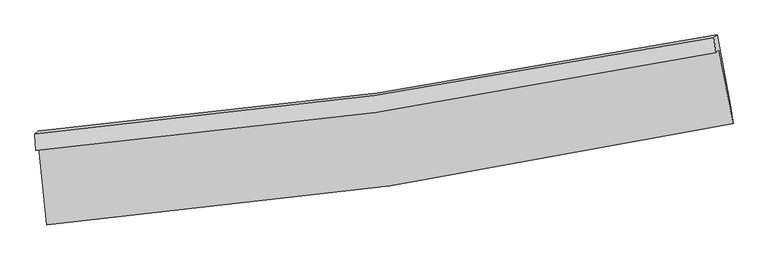
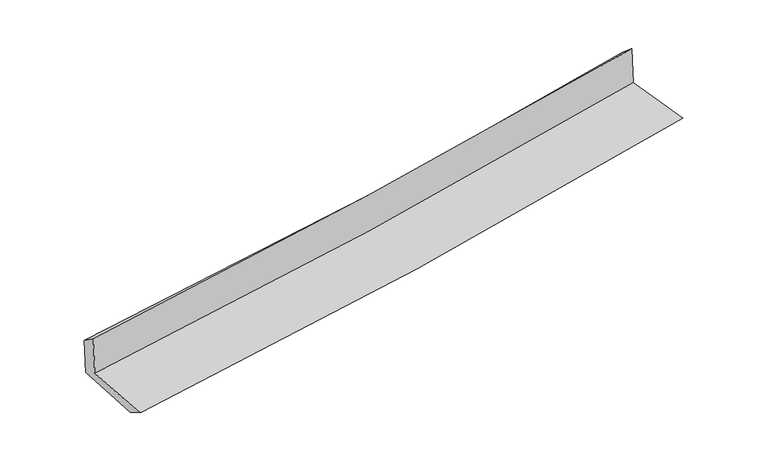
"""IFC4 building model written with IfcOpenShell, lengths in millimetres: proxy geometry."""

from ifc_helpers import new_model, si_unit, frame, origin, place, context, project, spatial, source, transform, mapped, element, save
from ifc_brep_helpers import plane_surface, spline_curve, spline_surface, advanced_brep


def generic_models_7e8e168b(model_context):
    return source(origin(), model_context, "Body", "AdvancedBrep", [
        advanced_brep(
        [(-2996.6061678, -1892.9850955, 1628.6794047), (-2928.2274632, -2568.3985659, 1590.1597018), (3075.0311146, -1681.9990845, 2108.1006737), (2950.9335683, -1033.4176069, 2140.7168672), (-3026.0296448, -1918.3861411, 2021.8358419), (2921.8295853, -1058.542836, 2529.604226), (-3031.852689, -1772.4038595, 1919.7022156), (2907.243319, -928.4781785, 2417.6444789), (-3004.6073526, -1748.8831847, 1555.6500888), (2935.0851993, -904.4425122, 2045.6213329), (-2936.4174007, -2414.4764837, 1507.7567128), (3051.5928432, -1513.3562423, 2014.9999712)],
        [
            (0, 1),
            (1, 2, spline_curve(3, [(-2928.2274632, -2568.3985659, 1590.1597018), (-1924.554048482, -2487.046934343, 1695.319131424), (-924.586617526, -2372.964689494, 1790.915912868), (1076.56404163, -2078.067553842, 1963.729248672), (2077.682803264, -1896.683304668, 2040.779457624), (3075.0311146, -1681.9990845, 2108.1006737)], [4, 2, 4], [0.0, 9.90487407159398, 19.89552575020764])),
            (2, 3),
            (3, 0, spline_curve(3, [(2950.9335683, -1033.4176069, 2140.7168672), (1963.15224973, -1241.210344475, 2074.556880887), (971.479721807, -1416.908386404, 1998.580994069), (-1011.10005504, -1702.882132053, 1827.734009342), (-2001.940772502, -1813.706586111, 1733.030741871), (-2996.6061678, -1892.9850955, 1628.6794047)], [4, 2, 4], [0.0, 9.99065167861366, 19.89552575020764])),
            (4, 0),
            (3, 5),
            (5, 4, spline_curve(3, [(2921.8295853, -1058.542836, 2529.604226), (1933.368387712, -1266.922507493, 2472.52878224), (941.330531292, -1442.935934679, 2401.434413976), (-1041.350365557, -1728.996976011, 2231.938592228), (-2031.932252234, -1839.597984071, 2133.776832595), (-3026.0296448, -1918.3861411, 2021.8358419)], [4, 2, 4], [0.0, 9.941910446850022, 19.79846176851302])),
            (6, 4),
            (5, 7),
            (7, 6, spline_curve(3, [(2907.243319, -928.4781785, 2417.6444789), (1921.847754124, -1127.124570319, 2330.767119352), (932.072684527, -1296.954408435, 2245.66195635), (-1047.700865133, -1577.770267742, 2079.711502946), (-2037.624464729, -1689.248989813, 1998.835911303), (-3031.852689, -1772.4038595, 1919.7022156)], [4, 2, 4], [0.0, 9.931267687643588, 19.77726762656349])),
            (8, 6),
            (7, 9),
            (9, 8, spline_curve(3, [(2935.0851993, -904.4425122, 2045.6213329), (1948.073520052, -1104.484082237, 1980.338489567), (957.443735578, -1275.051788904, 1906.654024849), (-1022.515643399, -1556.028073018, 1743.186626997), (-2011.783376165, -1666.940590711, 1653.547343533), (-3004.6073526, -1748.8831847, 1555.6500888)], [4, 2, 4], [0.0, 9.921877584107392, 19.758568040919698])),
            (10, 8),
            (9, 11),
            (11, 10, spline_curve(3, [(3051.5928432, -1513.3562423, 2014.9999712), (2056.448405002, -1726.967947753, 1953.074577532), (1057.708504182, -1909.055582005, 1879.609827996), (-938.356384877, -2208.890001716, 1710.331443548), (-1935.619898856, -2327.175781061, 1614.715107179), (-2936.4174007, -2414.4764837, 1507.7567128)], [4, 2, 4], [0.0, 9.968946292758362, 19.852301336316135])),
            (1, 10),
            (11, 2),
        ],
        [
            spline_surface(3, 3, [[(-2996.6061678, -1892.9850955, 1628.6794047), (-2001.940772348, -1813.70658621, 1733.030741797), (-1011.100054978, -1702.882132042, 1827.734009191), (971.479721744, -1416.908386415, 1998.58099422), (1963.152249725, -1241.210344339, 2074.556881023), (2950.9335683, -1033.4176069, 2140.7168672)], [(-2973.81326627, -2118.122918989, 1615.83950373), (-1976.14519775, -2038.15336889, 1720.460204956), (-982.262242515, -1926.242984512, 1815.461310483), (1006.50782838, -1637.294775548, 1986.963745692), (2001.329100909, -1459.701331137, 2063.297739856), (2992.299417071, -1249.611432747, 2129.84480271)], [(-2951.02036473, -2343.260742411, 1602.99960277), (-1950.349623142, -2262.600151504, 1707.889668124), (-953.424430031, -2149.603837016, 1803.188611694), (1041.535935036, -1857.681164717, 1975.346497083), (2039.505952081, -1678.192317994, 2052.038598658), (3033.665265829, -1465.805258653, 2118.97273819)], [(-2928.2274632, -2568.3985659, 1590.1597018), (-1924.554048545, -2487.046934185, 1695.319131283), (-924.586617568, -2372.964689485, 1790.915912985), (1076.564041672, -2078.067553851, 1963.729248554), (2077.682803265, -1896.683304791, 2040.779457491), (3075.0311146, -1681.9990845, 2108.1006737)]], [4, 4], [4, 2, 4], [0.0, 2.2093384774875817], [0.0, 9.90487407159398, 19.89552575020764]),
            spline_surface(3, 3, [[(-3026.0296448, -1918.3861411, 2021.8358419), (-2031.932252257, -1839.597984048, 2133.776832653), (-1041.350365426, -1728.996976132, 2231.938592298), (941.330531161, -1442.935934557, 2401.434413905), (1933.368387668, -1266.922507435, 2472.528782319), (2921.8295853, -1058.542836, 2529.604226)], [(-3016.221819119, -1909.91912588, 1890.783696167), (-2021.935092274, -1830.967518082, 2000.194802368), (-1031.266928616, -1720.292028092, 2097.203731238), (951.380261349, -1434.260085165, 2267.149940653), (1943.296341695, -1258.351786402, 2339.871481885), (2931.530912974, -1050.167759633, 2399.975106397)], [(-3006.413993481, -1901.45211072, 1759.731550433), (-2011.937932332, -1822.337052175, 1866.612772082), (-1021.183491788, -1711.587080083, 1962.468870251), (961.429991555, -1425.584235806, 2132.865467473), (1953.224295698, -1249.781065371, 2207.214181458), (2941.232240626, -1041.792683267, 2270.345986803)], [(-2996.6061678, -1892.9850955, 1628.6794047), (-2001.940772348, -1813.70658621, 1733.030741797), (-1011.100054978, -1702.882132042, 1827.734009191), (971.479721744, -1416.908386415, 1998.58099422), (1963.152249725, -1241.210344339, 2074.556881023), (2950.9335683, -1033.4176069, 2140.7168672)]], [4, 4], [4, 2, 4], [0.0, 1.3303490247279783], [0.0, 9.856551321663, 19.79846176851302]),
            spline_surface(3, 3, [[(-3031.852689, -1772.4038595, 1919.7022156), (-2037.624464681, -1689.248989743, 1998.835911328), (-1047.700865043, -1577.770267586, 2079.711502817), (932.072684436, -1296.954408593, 2245.66195648), (1921.847754144, -1127.124570435, 2330.767119434), (2907.243319, -928.4781785, 2417.6444789)], [(-3029.911674271, -1821.064620036, 1953.746757713), (-2035.727060544, -1739.36532118, 2043.816218449), (-1045.584031838, -1628.179170433, 2130.453865978), (935.158633344, -1345.614917246, 2297.586108957), (1925.687965335, -1173.723882781, 2378.021007067), (2912.105407783, -971.833064347, 2454.964394604)], [(-3027.970659529, -1869.725380564, 1987.791299787), (-2033.829656394, -1789.481652611, 2088.796525532), (-1043.467198631, -1678.588073285, 2181.196229136), (938.244582253, -1394.275425904, 2349.510261429), (1929.528176477, -1220.323195088, 2425.274894686), (2916.967496517, -1015.187950153, 2492.284310296)], [(-3026.0296448, -1918.3861411, 2021.8358419), (-2031.932252257, -1839.597984048, 2133.776832653), (-1041.350365426, -1728.996976132, 2231.938592298), (941.330531161, -1442.935934557, 2401.434413905), (1933.368387668, -1266.922507435, 2472.528782319), (2921.8295853, -1058.542836, 2529.604226)]], [4, 4], [4, 2, 4], [0.0, 0.7025738875665423], [0.0, 9.8459999389199, 19.77726762656349]),
            spline_surface(3, 3, [[(-3004.6073526, -1748.8831847, 1555.6500888), (-2011.783376307, -1666.940590711, 1653.547343639), (-1022.515643494, -1556.028073077, 1743.186627036), (957.443735673, -1275.051788844, 1906.654024809), (1948.073520131, -1104.484082325, 1980.338489419), (2935.0851993, -904.4425122, 2045.6213329)], [(-3013.689131406, -1756.723409626, 1677.000797745), (-2020.397072437, -1674.376723714, 1768.64353288), (-1030.910717328, -1563.275471251, 1855.361585629), (948.986718609, -1282.352662098, 2019.656668699), (1939.331598109, -1112.030911686, 2097.148032751), (2925.804572507, -912.454400957, 2169.629048227)], [(-3022.770910194, -1764.563634574, 1798.351506655), (-2029.01076855, -1681.81285674, 1883.739722087), (-1039.305791209, -1570.522869412, 1967.536544224), (940.5297015, -1289.653535339, 2132.659312591), (1930.589676166, -1119.577741074, 2213.957576101), (2916.523945793, -920.466289743, 2293.636763573)], [(-3031.852689, -1772.4038595, 1919.7022156), (-2037.624464681, -1689.248989743, 1998.835911328), (-1047.700865043, -1577.770267586, 2079.711502817), (932.072684436, -1296.954408593, 2245.66195648), (1921.847754144, -1127.124570435, 2330.767119434), (2907.243319, -928.4781785, 2417.6444789)]], [4, 4], [4, 2, 4], [0.0, 1.113597635739998], [0.0, 9.836690456812306, 19.758568040919698]),
            spline_surface(3, 3, [[(-2936.4174007, -2414.4764837, 1507.7567128), (-1935.619898854, -2327.175781193, 1614.715107099), (-938.356385024, -2208.890001713, 1710.331443568), (1057.70850433, -1909.055582008, 1879.609827976), (2056.448405117, -1726.967947693, 1953.074577641), (3051.5928432, -1513.3562423, 2014.9999712)], [(-2959.147384673, -2192.6120507, 1523.72117146), (-1961.007724678, -2107.097384365, 1627.659185938), (-966.409471178, -1991.269358844, 1721.283171403), (1024.286914781, -1697.720984296, 1888.624560266), (2020.323443456, -1519.473325898, 1962.16254824), (3012.756961901, -1310.384998928, 2025.207091773)], [(-2981.877368627, -1970.7476177, 1539.68563014), (-1986.395550483, -1887.018987539, 1640.603264799), (-994.46255734, -1773.648715946, 1732.234899201), (990.865325223, -1486.386386556, 1897.639292519), (1984.198481792, -1311.97870412, 1971.25051882), (2973.921080599, -1107.413755572, 2035.414212327)], [(-3004.6073526, -1748.8831847, 1555.6500888), (-2011.783376307, -1666.940590711, 1653.547343639), (-1022.515643494, -1556.028073077, 1743.186627036), (957.443735673, -1275.051788844, 1906.654024809), (1948.073520131, -1104.484082325, 1980.338489419), (2935.0851993, -904.4425122, 2045.6213329)]], [4, 4], [4, 2, 4], [0.0, 2.1345953186807507], [0.0, 9.883355043557772, 19.852301336316135]),
            spline_surface(3, 3, [[(-2928.2274632, -2568.3985659, 1590.1597018), (-1924.554048545, -2487.046934185, 1695.319131283), (-924.586617568, -2372.964689485, 1790.915912985), (1076.564041672, -2078.067553851, 1963.729248554), (2077.682803265, -1896.683304791, 2040.779457491), (3075.0311146, -1681.9990845, 2108.1006737)], [(-2930.957442362, -2517.09120517, 1562.692038786), (-1928.242665309, -2433.756549857, 1668.451123208), (-929.176540059, -2318.273126905, 1764.054423165), (1070.278862553, -2021.730229914, 1935.68944168), (2070.604670546, -1840.111519113, 2011.544497528), (3067.218357464, -1625.784803788, 2077.067106188)], [(-2933.687421538, -2465.78384443, 1535.224375814), (-1931.931282089, -2380.466165521, 1641.583115175), (-933.766462533, -2263.581564293, 1737.192933389), (1063.993683449, -1965.392905945, 1907.64963485), (2063.526537836, -1783.539733371, 1982.309537603), (3059.405600336, -1569.570523012, 2046.033538712)], [(-2936.4174007, -2414.4764837, 1507.7567128), (-1935.619898854, -2327.175781193, 1614.715107099), (-938.356385024, -2208.890001713, 1710.331443568), (1057.70850433, -1909.055582008, 1879.609827976), (2056.448405117, -1726.967947693, 1953.074577641), (3051.5928432, -1513.3562423, 2014.9999712)]], [4, 4], [4, 2, 4], [0.0, 0.6119881317261564], [0.0, 9.942028331651036, 19.97015603145624]),
            plane_surface(frame((2973.6192716, -1186.7060767, 2209.447925), z_axis=(0.9793990117234541, 0.18311417678502276, 0.0851279865582684), x_axis=(-0.07447598864302793, -0.06429450827195354, 0.9951480007123118))),
            plane_surface(frame((-2987.2901197, -2052.5888884, 1703.9639943), z_axis=(-0.9921392954726987, -0.09585613526937, -0.08044389168953248), x_axis=(-0.10056314182898227, 0.9933165746816491, 0.05665012769800033))),
        ],
        [
            (0, [[1, 2, 3, 4]]),
            (1, [[5, -4, 6, 7]]),
            (2, [[8, -7, 9, 10]]),
            (3, [[11, -10, 12, 13]]),
            (4, [[14, -13, 15, 16]]),
            (5, [[17, -16, 18, -2]]),
            (6, [[-12, -9, -6, -3, -18, -15]]),
            (7, [[-1, -5, -8, -11, -14, -17]]),
        ],
    ),
    ])


if __name__ == "__main__":
    model = new_model("IFC4")
    model_context = context("Model", 3, world=origin())
    ifc_project = project(units=[si_unit("LENGTHUNIT", "METRE", prefix="MILLI")], contexts=[model_context])
    site = spatial("IfcSite", under=ifc_project)
    building = spatial("IfcBuilding", under=site)
    placement = place(None, origin())
    generic_models_shape = generic_models_7e8e168b(model_context)
    element("IfcBuildingElementProxy", 1, Name="Generic Models", at=placement, inside=building, context=model_context, shape_type="MappedRepresentation", body=[
        mapped(generic_models_shape, transform((0.0, 0.0, 0.0), x_axis=(1.0, 0.0, 0.0), y_axis=(0.0, 1.0, 0.0), z_axis=(0.0, 0.0, 1.0))),
    ])
    save(model, "model.ifc")
